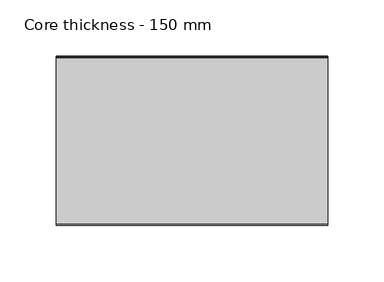
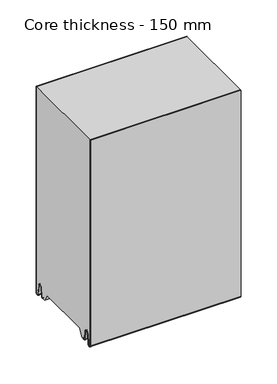
"""IFC4 building model written with IfcOpenShell, lengths in millimetres: plate geometry, Core thickness - 150 mm."""

from ifc_helpers import new_model, si_unit, frame, origin, place, context, project, spatial, polyline, circle_curve, source, transform, mapped, element, save
from ifc_brep_helpers import plane_surface, cylinder_surface, revolved_surface, advanced_brep


def core_thickness_150_mm_0fd551ed(model_context):
    return source(origin(), model_context, "Body", "AdvancedBrep", [
        advanced_brep(
        [(119.9999998, -149.9996949, 3.0900682), (119.9999998, -143.81449, 2.7875612), (119.9999998, -142.197116, 19.2828169), (119.9999998, -139.1776715, 21.9898782), (119.9999998, -136.1582271, 19.2828169), (119.9999998, -134.7725998, 5.1510966), (119.9999998, -130.3830995, 5.365779), (119.9999998, -131.1830995, 5.365779), (119.9999998, -133.9764178, 5.2291629), (119.9999998, -135.3620451, 19.3608832), (119.9999998, -139.1776715, 22.7899182), (119.9999998, -142.9932979, 19.3608832), (119.9999998, -144.6106719, 2.8656275), (119.9999998, -149.1996949, 3.0900682), (119.9999998, -149.2, 350.0), (119.9999998, -149.9996949, 350.0), (-119.9999998, -149.1996949, 3.0900682), (-119.9999998, -144.6106719, 2.8656275), (-119.9999998, -142.9932979, 19.3608832), (-119.9999998, -139.1776715, 22.7899182), (-119.9999998, -135.3620451, 19.3608832), (-119.9999998, -133.9764178, 5.2291629), (-119.9999998, -131.1830995, 5.365779), (-119.9999998, -130.3830995, 5.365779), (-119.9999998, -134.7725998, 5.1510966), (-119.9999998, -136.1582271, 19.2828169), (-119.9999998, -139.1776715, 21.9898782), (-119.9999998, -142.197116, 19.2828169), (-119.9999998, -143.81449, 2.7875612), (-119.9999998, -149.9996949, 3.0900682), (-119.9999998, -149.9996949, 350.0), (-119.9999998, -149.2, 350.0)],
        [
            (0, 1, circle_curve(frame((119.9999998, -146.8996949, 3.0900682), z_axis=(1.0, 0.0, 0.0), x_axis=(0.0, 0.0, -1.0)), 3.1)),
            (1, 2),
            (2, 3, circle_curve(frame((119.9999998, -139.2114338, 18.9900682), z_axis=(-1.0, 0.0, 0.0), x_axis=(0.0, 0.0, -1.0)), 3.0)),
            (3, 4, circle_curve(frame((119.9999998, -139.1439093, 18.9900682), z_axis=(-1.0, 0.0, 0.0), x_axis=(0.0, 0.0, -1.0)), 3.0)),
            (4, 5),
            (5, 6, circle_curve(frame((119.9999998, -132.5830995, 5.365779), z_axis=(1.0, 0.0, 0.0), x_axis=(0.0, 0.0, -1.0)), 2.2)),
            (6, 7),
            (7, 8, circle_curve(frame((119.9999998, -132.5830995, 5.365779), z_axis=(-1.0, 0.0, 0.0), x_axis=(0.0, 0.0, -1.0)), 1.4)),
            (8, 9),
            (9, 10, circle_curve(frame((119.9999998, -139.1439093, 18.9900682), z_axis=(1.0, 0.0, 0.0), x_axis=(0.0, 0.0, -1.0)), 3.8)),
            (10, 11, circle_curve(frame((119.9999998, -139.2114338, 18.9900682), z_axis=(1.0, 0.0, 0.0), x_axis=(0.0, 0.0, -1.0)), 3.8)),
            (11, 12),
            (12, 13, circle_curve(frame((119.9999998, -146.8996949, 3.0900682), z_axis=(-1.0, 0.0, 0.0), x_axis=(0.0, 0.0, -1.0)), 2.3)),
            (13, 14),
            (14, 15),
            (15, 0),
            (16, 17, circle_curve(frame((-119.9999998, -146.8996949, 3.0900682), z_axis=(1.0, 0.0, 0.0), x_axis=(0.0, 0.0, -1.0)), 2.3)),
            (17, 18),
            (18, 19, circle_curve(frame((-119.9999998, -139.2114338, 18.9900682), z_axis=(-1.0, 0.0, 0.0), x_axis=(0.0, 0.0, -1.0)), 3.8)),
            (19, 20, circle_curve(frame((-119.9999998, -139.1439093, 18.9900682), z_axis=(-1.0, 0.0, 0.0), x_axis=(0.0, 0.0, -1.0)), 3.8)),
            (20, 21),
            (21, 22, circle_curve(frame((-119.9999998, -132.5830995, 5.365779), z_axis=(1.0, 0.0, 0.0), x_axis=(0.0, 0.0, -1.0)), 1.4)),
            (22, 23),
            (23, 24, circle_curve(frame((-119.9999998, -132.5830995, 5.365779), z_axis=(-1.0, 0.0, 0.0), x_axis=(0.0, 0.0, -1.0)), 2.2)),
            (24, 25),
            (25, 26, circle_curve(frame((-119.9999998, -139.1439093, 18.9900682), z_axis=(1.0, 0.0, 0.0), x_axis=(0.0, 0.0, -1.0)), 3.0)),
            (26, 27, circle_curve(frame((-119.9999998, -139.2114338, 18.9900682), z_axis=(1.0, 0.0, 0.0), x_axis=(0.0, 0.0, -1.0)), 3.0)),
            (27, 28),
            (28, 29, circle_curve(frame((-119.9999998, -146.8996949, 3.0900682), z_axis=(-1.0, 0.0, 0.0), x_axis=(0.0, 0.0, -1.0)), 3.1)),
            (29, 30),
            (30, 31),
            (31, 16),
            (13, 16),
            (31, 14),
            (29, 0),
            (15, 30),
            (12, 17),
            (11, 18),
            (10, 19),
            (9, 20),
            (8, 21),
            (7, 22),
            (6, 23),
            (5, 24),
            (4, 25),
            (3, 26),
            (2, 27),
            (1, 28),
        ],
        [
            plane_surface(frame((119.9999998, -150.0, 0.0), z_axis=(1.0, 0.0, 0.0), x_axis=(0.0, 1.0, 0.0))),
            plane_surface(frame((-119.9999998, -150.0, 0.0), z_axis=(-1.0, 0.0, 0.0), x_axis=(0.0, 1.0, 0.0))),
            plane_surface(frame((119.9999998, -149.2, 3.0900682), z_axis=(0.0, 1.0, 0.0), x_axis=(-1.0, 0.0, 0.0))),
            plane_surface(frame((119.9999998, -149.9996949, 1143.9000005), z_axis=(0.0, -1.0, 0.0), x_axis=(-1.0, 0.0, 0.0))),
            revolved_surface(polyline([(-119.9999998, -146.8996949, 0.7900682000000003), (119.9999998, -146.8996949, 0.7900682000000003)]), (119.9999998, -146.8996949, 3.0900682), (-1.0, 0.0, 0.0)),
            plane_surface(frame((119.9999998, -142.9932979, 19.3608832), z_axis=(0.0, -0.9952273999818314, 0.09758289975914787), x_axis=(-1.0, 0.0, 0.0))),
            cylinder_surface(frame((119.9999998, -139.2114338, 18.9900682), z_axis=(1.0, 0.0, 0.0), x_axis=(0.0, 0.0, -1.0)), 3.8),
            cylinder_surface(frame((119.9999998, -139.1439093, 18.9900682), z_axis=(1.0, 0.0, 0.0), x_axis=(0.0, 0.0, -1.0)), 3.8),
            plane_surface(frame((119.9999998, -133.9764178, 5.2291629), z_axis=(0.0, 0.9952273999818297, 0.09758289975916531), x_axis=(-1.0, 0.0, 0.0))),
            revolved_surface(polyline([(-119.9999998, -132.5830995, 3.965779), (119.9999998, -132.5830995, 3.965779)]), (119.9999998, -132.5830995, 5.365779), (-1.0, 0.0, 0.0)),
            plane_surface(frame((119.9999998, -130.3830995, 5.365779), z_axis=(0.0, 0.0, 1.0), x_axis=(-1.0, 0.0, 0.0))),
            cylinder_surface(frame((119.9999998, -132.5830995, 5.365779), z_axis=(1.0, 0.0, 0.0), x_axis=(0.0, 0.0, -1.0)), 2.2),
            plane_surface(frame((119.9999998, -136.1582271, 19.2828169), z_axis=(0.0, -0.9952273999818296, -0.09758289975916527), x_axis=(-1.0, 0.0, 0.0))),
            revolved_surface(polyline([(-119.9999998, -139.1439093, 15.9900682), (119.9999998, -139.1439093, 15.9900682)]), (119.9999998, -139.1439093, 18.9900682), (-1.0, 0.0, 0.0)),
            revolved_surface(polyline([(-119.9999998, -139.2114338, 15.9900682), (119.9999998, -139.2114338, 15.9900682)]), (119.9999998, -139.2114338, 18.9900682), (-1.0, 0.0, 0.0)),
            plane_surface(frame((119.9999998, -143.81449, 2.7875612), z_axis=(0.0, 0.9952273999818314, -0.09758289975914787), x_axis=(-1.0, 0.0, 0.0))),
            cylinder_surface(frame((119.9999998, -146.8996949, 3.0900682), z_axis=(1.0, 0.0, 0.0), x_axis=(0.0, 0.0, -1.0)), 3.1),
            plane_surface(frame((-119.9999998, 134.0533409, 350.0), z_axis=(0.0, 0.0, 1.0), x_axis=(1.0, 0.0, 0.0))),
        ],
        [
            (0, [[1, 2, 3, 4, 5, 6, 7, 8, 9, 10, 11, 12, 13, 14, 15, 16]]),
            (1, [[17, 18, 19, 20, 21, 22, 23, 24, 25, 26, 27, 28, 29, 30, 31, 32]]),
            (2, [[33, -32, 34, -14]]),
            (3, [[35, -16, 36, -30]]),
            (4, [[-13, 37, -17, -33]]),
            (5, [[-12, 38, -18, -37]]),
            (6, [[-11, 39, -19, -38]]),
            (7, [[-10, 40, -20, -39]]),
            (8, [[-9, 41, -21, -40]]),
            (9, [[-8, 42, -22, -41]]),
            (10, [[-7, 43, -23, -42]]),
            (11, [[-6, 44, -24, -43]]),
            (12, [[-5, 45, -25, -44]]),
            (13, [[-4, 46, -26, -45]]),
            (14, [[-3, 47, -27, -46]]),
            (15, [[-2, 48, -28, -47]]),
            (16, [[-1, -35, -29, -48]]),
            (17, [[-15, -34, -31, -36]]),
        ],
    ),
        advanced_brep(
        [(119.9999998, -119.873448, 15.1417681), (119.9999998, -30.126552, 15.1417681), (119.9999998, -23.4071318, 3.165779), (119.9999998, -17.4169005, 3.165779), (119.9999998, -19.6169005, 5.365779), (119.9999998, -18.8169005, 5.365779), (119.9999998, -16.0235822, 5.2291629), (119.9999998, -14.6379549, 19.3608832), (119.9999998, -10.8223285, 22.7899182), (119.9999998, -7.0067021, 19.3608832), (119.9999998, -5.3893281, 2.8656275), (119.9999998, -1.0794848, 4.1883784), (119.9999998, -1.5003051, 5.8439114), (119.9999998, -1.5003051, 42.0511837), (119.9999998, -1.0971009, 43.4705951), (119.9999998, -0.8, 44.5229805), (119.9999998, -0.8, 94.6827637), (119.9999998, -1.0986697, 95.7341795), (119.9999998, -1.5003051, 97.1545605), (119.9999998, -1.5003051, 147.3143437), (119.9999998, -1.0971009, 148.7337551), (119.9999998, -0.8, 149.7861405), (119.9999998, -0.8, 199.9459237), (119.9999998, -1.0986697, 200.9973395), (119.9999998, -1.5003051, 202.4177205), (119.9999998, -1.5003051, 252.5775037), (119.9999998, -1.0971009, 253.9969151), (119.9999998, -0.8, 255.0493005), (119.9999998, -0.8, 305.2090837), (119.9999998, -1.0986697, 306.2604995), (119.9999998, -1.5003051, 307.6808805), (119.9999998, -1.5003051, 350.0), (119.9999998, -149.2, 350.0), (119.9999998, -149.2, 3.0900682), (119.9999998, -144.6106719, 2.8656275), (119.9999998, -142.9932979, 19.3608832), (119.9999998, -139.1776715, 22.7899182), (119.9999998, -135.3620451, 19.3608832), (119.9999998, -133.9764178, 5.2291629), (119.9999998, -131.1830995, 5.365779), (119.9999998, -130.3830995, 5.365779), (119.9999998, -132.5830995, 3.165779), (119.9999998, -126.5928682, 3.165779), (-119.9999998, -30.126552, 15.1417681), (-119.9999998, -119.873448, 15.1417681), (-119.9999998, -126.5928682, 3.165779), (-119.9999998, -132.5830995, 3.165779), (-119.9999998, -130.3830995, 5.365779), (-119.9999998, -131.1830995, 5.365779), (-119.9999998, -133.9764178, 5.2291629), (-119.9999998, -135.3620451, 19.3608832), (-119.9999998, -139.1776715, 22.7899182), (-119.9999998, -142.9932979, 19.3608832), (-119.9999998, -144.6106719, 2.8656275), (-119.9999998, -149.1996949, 3.0900682), (-119.9999998, -149.2, 350.0), (-119.9999998, -1.5003051, 350.0), (-119.9999998, -1.5003051, 307.6808805), (-119.9999998, -1.0971009, 306.2614691), (-119.9999998, -0.8, 305.2090837), (-119.9999998, -0.8, 255.0493005), (-119.9999998, -1.0986697, 253.9978846), (-119.9999998, -1.5003051, 252.5775037), (-119.9999998, -1.5003051, 202.4177205), (-119.9999998, -1.0971009, 200.9983091), (-119.9999998, -0.8, 199.9459237), (-119.9999998, -0.8, 149.7861405), (-119.9999998, -1.0986697, 148.7347246), (-119.9999998, -1.5003051, 147.3143437), (-119.9999998, -1.5003051, 97.1545605), (-119.9999998, -1.0971009, 95.7351491), (-119.9999998, -0.8, 94.6827637), (-119.9999998, -0.8, 44.5229805), (-119.9999998, -1.0986697, 43.4715646), (-119.9999998, -1.5003051, 42.0511837), (-119.9999998, -1.5003051, 5.8439114), (-119.9999998, -1.0794848, 4.1883784), (-119.9999998, -5.3893281, 2.8656275), (-119.9999998, -7.0067021, 19.3608832), (-119.9999998, -10.8223285, 22.7899182), (-119.9999998, -14.6379549, 19.3608832), (-119.9999998, -16.0235822, 5.2291629), (-119.9999998, -18.8169005, 5.365779), (-119.9999998, -19.6169005, 5.365779), (-119.9999998, -17.4169005, 3.165779), (-119.9999998, -23.4071318, 3.165779)],
        [
            (0, 1),
            (1, 2),
            (2, 3),
            (3, 4, circle_curve(frame((119.9999998, -17.4169005, 5.365779), z_axis=(-1.0, 0.0, 0.0), x_axis=(0.0, 0.0, -1.0)), 2.2)),
            (4, 5),
            (5, 6, circle_curve(frame((119.9999998, -17.4169005, 5.365779), z_axis=(1.0, 0.0, 0.0), x_axis=(0.0, 0.0, -1.0)), 1.4)),
            (6, 7),
            (7, 8, circle_curve(frame((119.9999998, -10.8560907, 18.9900682), z_axis=(-1.0, 0.0, 0.0), x_axis=(0.0, 0.0, -1.0)), 3.8)),
            (8, 9, circle_curve(frame((119.9999998, -10.7885662, 18.9900682), z_axis=(-1.0, 0.0, 0.0), x_axis=(0.0, 0.0, -1.0)), 3.8)),
            (9, 10),
            (10, 11, circle_curve(frame((119.9999998, -3.1003051, 3.0900682), z_axis=(1.0, 0.0, 0.0), x_axis=(0.0, 0.0, -1.0)), 2.3)),
            (11, 12, circle_curve(frame((119.9999998, 1.9665895, 5.8439114), z_axis=(-1.0, 0.0, 0.0), x_axis=(0.0, 0.0, -1.0)), 3.4668946)),
            (12, 13),
            (13, 14, circle_curve(frame((119.9999998, 1.1996949, 42.0511837), z_axis=(-1.0, 0.0, 0.0), x_axis=(0.0, 0.0, -1.0)), 2.7)),
            (14, 15, circle_curve(frame((119.9999998, -2.8, 44.5229805), z_axis=(1.0, 0.0, 0.0), x_axis=(0.0, 0.0, -1.0)), 2.0)),
            (15, 16),
            (16, 17, circle_curve(frame((119.9999998, -2.8, 94.6827637), z_axis=(1.0, 0.0, 0.0), x_axis=(0.0, 0.0, -1.0)), 2.0)),
            (17, 18, circle_curve(frame((119.9999998, 1.1996949, 97.1545605), z_axis=(-1.0, 0.0, 0.0), x_axis=(0.0, 0.0, -1.0)), 2.7)),
            (18, 19),
            (19, 20, circle_curve(frame((119.9999998, 1.1996949, 147.3143437), z_axis=(-1.0, 0.0, 0.0), x_axis=(0.0, 0.0, -1.0)), 2.7)),
            (20, 21, circle_curve(frame((119.9999998, -2.8, 149.7861405), z_axis=(1.0, 0.0, 0.0), x_axis=(0.0, 0.0, -1.0)), 2.0)),
            (21, 22),
            (22, 23, circle_curve(frame((119.9999998, -2.8, 199.9459237), z_axis=(1.0, 0.0, 0.0), x_axis=(0.0, 0.0, -1.0)), 2.0)),
            (23, 24, circle_curve(frame((119.9999998, 1.1996949, 202.4177205), z_axis=(-1.0, 0.0, 0.0), x_axis=(0.0, 0.0, -1.0)), 2.7)),
            (24, 25),
            (25, 26, circle_curve(frame((119.9999998, 1.1996949, 252.5775037), z_axis=(-1.0, 0.0, 0.0), x_axis=(0.0, 0.0, -1.0)), 2.7)),
            (26, 27, circle_curve(frame((119.9999998, -2.8, 255.0493005), z_axis=(1.0, 0.0, 0.0), x_axis=(0.0, 0.0, -1.0)), 2.0)),
            (27, 28),
            (28, 29, circle_curve(frame((119.9999998, -2.8, 305.2090837), z_axis=(1.0, 0.0, 0.0), x_axis=(0.0, 0.0, -1.0)), 2.0)),
            (29, 30, circle_curve(frame((119.9999998, 1.1996949, 307.6808805), z_axis=(-1.0, 0.0, 0.0), x_axis=(0.0, 0.0, -1.0)), 2.7)),
            (30, 31),
            (31, 32),
            (32, 33),
            (33, 34, circle_curve(frame((119.9999998, -146.8996949, 3.0900682), z_axis=(1.0, 0.0, 0.0), x_axis=(0.0, 0.0, -1.0)), 2.3)),
            (34, 35),
            (35, 36, circle_curve(frame((119.9999998, -139.2114338, 18.9900682), z_axis=(-1.0, 0.0, 0.0), x_axis=(0.0, 0.0, -1.0)), 3.8)),
            (36, 37, circle_curve(frame((119.9999998, -139.1439093, 18.9900682), z_axis=(-1.0, 0.0, 0.0), x_axis=(0.0, 0.0, -1.0)), 3.8)),
            (37, 38),
            (38, 39, circle_curve(frame((119.9999998, -132.5830995, 5.365779), z_axis=(1.0, 0.0, 0.0), x_axis=(0.0, 0.0, -1.0)), 1.4)),
            (39, 40),
            (40, 41, circle_curve(frame((119.9999998, -132.5830995, 5.365779), z_axis=(-1.0, 0.0, 0.0), x_axis=(0.0, 0.0, -1.0)), 2.2)),
            (41, 42),
            (42, 0),
            (43, 44),
            (44, 45),
            (45, 46),
            (46, 47, circle_curve(frame((-119.9999998, -132.5830995, 5.365779), z_axis=(1.0, 0.0, 0.0), x_axis=(0.0, 0.0, -1.0)), 2.2)),
            (47, 48),
            (48, 49, circle_curve(frame((-119.9999998, -132.5830995, 5.365779), z_axis=(-1.0, 0.0, 0.0), x_axis=(0.0, 0.0, -1.0)), 1.4)),
            (49, 50),
            (50, 51, circle_curve(frame((-119.9999998, -139.1439093, 18.9900682), z_axis=(1.0, 0.0, 0.0), x_axis=(0.0, 0.0, -1.0)), 3.8)),
            (51, 52, circle_curve(frame((-119.9999998, -139.2114338, 18.9900682), z_axis=(1.0, 0.0, 0.0), x_axis=(0.0, 0.0, -1.0)), 3.8)),
            (52, 53),
            (53, 54, circle_curve(frame((-119.9999998, -146.8996949, 3.0900682), z_axis=(-1.0, 0.0, 0.0), x_axis=(0.0, 0.0, -1.0)), 2.3)),
            (54, 55),
            (55, 56),
            (56, 57),
            (57, 58, circle_curve(frame((-119.9999998, 1.1996949, 307.6808805), z_axis=(1.0, 0.0, 0.0), x_axis=(0.0, 0.0, -1.0)), 2.7)),
            (58, 59, circle_curve(frame((-119.9999998, -2.8, 305.2090837), z_axis=(-1.0, 0.0, 0.0), x_axis=(0.0, 0.0, -1.0)), 2.0)),
            (59, 60),
            (60, 61, circle_curve(frame((-119.9999998, -2.8, 255.0493005), z_axis=(-1.0, 0.0, 0.0), x_axis=(0.0, 0.0, -1.0)), 2.0)),
            (61, 62, circle_curve(frame((-119.9999998, 1.1996949, 252.5775037), z_axis=(1.0, 0.0, 0.0), x_axis=(0.0, 0.0, -1.0)), 2.7)),
            (62, 63),
            (63, 64, circle_curve(frame((-119.9999998, 1.1996949, 202.4177205), z_axis=(1.0, 0.0, 0.0), x_axis=(0.0, 0.0, -1.0)), 2.7)),
            (64, 65, circle_curve(frame((-119.9999998, -2.8, 199.9459237), z_axis=(-1.0, 0.0, 0.0), x_axis=(0.0, 0.0, -1.0)), 2.0)),
            (65, 66),
            (66, 67, circle_curve(frame((-119.9999998, -2.8, 149.7861405), z_axis=(-1.0, 0.0, 0.0), x_axis=(0.0, 0.0, -1.0)), 2.0)),
            (67, 68, circle_curve(frame((-119.9999998, 1.1996949, 147.3143437), z_axis=(1.0, 0.0, 0.0), x_axis=(0.0, 0.0, -1.0)), 2.7)),
            (68, 69),
            (69, 70, circle_curve(frame((-119.9999998, 1.1996949, 97.1545605), z_axis=(1.0, 0.0, 0.0), x_axis=(0.0, 0.0, -1.0)), 2.7)),
            (70, 71, circle_curve(frame((-119.9999998, -2.8, 94.6827637), z_axis=(-1.0, 0.0, 0.0), x_axis=(0.0, 0.0, -1.0)), 2.0)),
            (71, 72),
            (72, 73, circle_curve(frame((-119.9999998, -2.8, 44.5229805), z_axis=(-1.0, 0.0, 0.0), x_axis=(0.0, 0.0, -1.0)), 2.0)),
            (73, 74, circle_curve(frame((-119.9999998, 1.1996949, 42.0511837), z_axis=(1.0, 0.0, 0.0), x_axis=(0.0, 0.0, -1.0)), 2.7)),
            (74, 75),
            (75, 76, circle_curve(frame((-119.9999998, 1.9665895, 5.8439114), z_axis=(1.0, 0.0, 0.0), x_axis=(0.0, 0.0, -1.0)), 3.4668946)),
            (76, 77, circle_curve(frame((-119.9999998, -3.1003051, 3.0900682), z_axis=(-1.0, 0.0, 0.0), x_axis=(0.0, 0.0, -1.0)), 2.3)),
            (77, 78),
            (78, 79, circle_curve(frame((-119.9999998, -10.7885662, 18.9900682), z_axis=(1.0, 0.0, 0.0), x_axis=(0.0, 0.0, -1.0)), 3.8)),
            (79, 80, circle_curve(frame((-119.9999998, -10.8560907, 18.9900682), z_axis=(1.0, 0.0, 0.0), x_axis=(0.0, 0.0, -1.0)), 3.8)),
            (80, 81),
            (81, 82, circle_curve(frame((-119.9999998, -17.4169005, 5.365779), z_axis=(-1.0, 0.0, 0.0), x_axis=(0.0, 0.0, -1.0)), 1.4)),
            (82, 83),
            (83, 84, circle_curve(frame((-119.9999998, -17.4169005, 5.365779), z_axis=(1.0, 0.0, 0.0), x_axis=(0.0, 0.0, -1.0)), 2.2)),
            (84, 85),
            (85, 43),
            (1, 43),
            (85, 2),
            (0, 44),
            (42, 45),
            (64, 23),
            (22, 65),
            (63, 24),
            (62, 25),
            (61, 26),
            (60, 27),
            (59, 28),
            (58, 29),
            (57, 30),
            (56, 31),
            (54, 33),
            (32, 55),
            (84, 3),
            (41, 46),
            (83, 4),
            (82, 5),
            (81, 6),
            (80, 7),
            (79, 8),
            (78, 9),
            (77, 10),
            (76, 11),
            (75, 12),
            (74, 13),
            (73, 14),
            (72, 15),
            (71, 16),
            (70, 17),
            (69, 18),
            (68, 19),
            (67, 20),
            (66, 21),
            (53, 34),
            (52, 35),
            (51, 36),
            (50, 37),
            (49, 38),
            (48, 39),
            (47, 40),
        ],
        [
            plane_surface(frame((119.9999998, 0.0, 0.0), z_axis=(1.0, 0.0, 0.0), x_axis=(0.0, -1.0, 0.0))),
            plane_surface(frame((-119.9999998, 0.0, 0.0), z_axis=(-1.0, 0.0, 0.0), x_axis=(0.0, -1.0, 0.0))),
            plane_surface(frame((119.9999998, -30.126552, 15.1417681), z_axis=(0.0, -0.8721062992196836, -0.4893164649399687), x_axis=(-1.0, 0.0, 0.0))),
            plane_surface(frame((119.9999998, -119.873448, 15.1417681), z_axis=(0.0, 0.0, -1.0), x_axis=(-1.0, 0.0, 0.0))),
            plane_surface(frame((119.9999998, -126.8190247, 2.7627014), z_axis=(0.0, 0.8721062992196832, -0.4893164649399697), x_axis=(-1.0, 0.0, 0.0))),
            cylinder_surface(frame((249.9999998, -2.8, 199.9459237), z_axis=(-1.0, 0.0, 0.0), x_axis=(0.0, 0.0, -1.0)), 2.0),
            revolved_surface(polyline([(119.99999980000001, 1.1996949, 199.7177205), (-119.99999980000001, 1.1996949, 199.7177205)]), (249.9999998, 1.1996949, 202.4177205), (1.0, 0.0, 0.0)),
            plane_surface(frame((249.9999998, -1.5003051, 252.5775037), z_axis=(0.0, 1.0, 0.0), x_axis=(-1.0, 0.0, 0.0))),
            revolved_surface(polyline([(119.99999980000001, 1.1996949, 249.8775037), (-119.99999980000001, 1.1996949, 249.8775037)]), (249.9999998, 1.1996949, 252.5775037), (1.0, 0.0, 0.0)),
            cylinder_surface(frame((249.9999998, -2.8, 255.0493005), z_axis=(-1.0, 0.0, 0.0), x_axis=(0.0, 0.0, -1.0)), 2.0),
            plane_surface(frame((249.9999998, -0.8, 305.2090837), z_axis=(0.0, 1.0, 0.0), x_axis=(-1.0, 0.0, 0.0))),
            cylinder_surface(frame((249.9999998, -2.8, 305.2090837), z_axis=(-1.0, 0.0, 0.0), x_axis=(0.0, 0.0, -1.0)), 2.0),
            revolved_surface(polyline([(119.99999980000001, 1.1996949, 304.9808805), (-119.99999980000001, 1.1996949, 304.9808805)]), (249.9999998, 1.1996949, 307.6808805), (1.0, 0.0, 0.0)),
            plane_surface(frame((249.9999998, -1.5003051, 357.8406637), z_axis=(0.0, 1.0, 0.0), x_axis=(-1.0, 0.0, 0.0))),
            plane_surface(frame((249.9999998, -149.2, 3.0900682), z_axis=(0.0, -1.0, 0.0), x_axis=(-1.0, 0.0, 0.0))),
            plane_surface(frame((-119.9999998, -132.5830995, 3.165779), z_axis=(0.0, 0.0, -1.0), x_axis=(1.0, 0.0, 0.0))),
            revolved_surface(polyline([(119.99999980000001, -17.4169005, 3.1657789999999997), (-119.99999980000001, -17.4169005, 3.1657789999999997)]), (249.9999998, -17.4169005, 5.365779), (1.0, 0.0, 0.0)),
            plane_surface(frame((249.9999998, -18.8169005, 5.365779), z_axis=(0.0, 0.0, -1.0), x_axis=(-1.0, 0.0, 0.0))),
            cylinder_surface(frame((249.9999998, -17.4169005, 5.365779), z_axis=(-1.0, 0.0, 0.0), x_axis=(0.0, 0.0, -1.0)), 1.4),
            plane_surface(frame((249.9999998, -14.6379549, 19.3608832), z_axis=(0.0, 0.9952273999818297, -0.09758289975916531), x_axis=(-1.0, 0.0, 0.0))),
            revolved_surface(polyline([(119.99999980000001, -10.8560907, 15.190068199999999), (-119.99999980000001, -10.8560907, 15.190068199999999)]), (249.9999998, -10.8560907, 18.9900682), (1.0, 0.0, 0.0)),
            revolved_surface(polyline([(119.99999980000001, -10.7885662, 15.190068199999999), (-119.99999980000001, -10.7885662, 15.190068199999999)]), (249.9999998, -10.7885662, 18.9900682), (1.0, 0.0, 0.0)),
            plane_surface(frame((249.9999998, -5.3893281, 2.8656275), z_axis=(0.0, -0.9952273999818314, -0.09758289975914787), x_axis=(-1.0, 0.0, 0.0))),
            cylinder_surface(frame((249.9999998, -3.1003051, 3.0900682), z_axis=(-1.0, 0.0, 0.0), x_axis=(0.0, 0.0, -1.0)), 2.3),
            revolved_surface(polyline([(119.99999980000001, 1.9665895, 2.3770168), (-119.99999980000001, 1.9665895, 2.3770168)]), (249.9999998, 1.9665895, 5.8439114), (1.0, 0.0, 0.0)),
            plane_surface(frame((249.9999998, -1.5003051, 42.0511837), z_axis=(0.0, 1.0, 0.0), x_axis=(-1.0, 0.0, 0.0))),
            revolved_surface(polyline([(119.99999980000001, 1.1996949, 39.3511837), (-119.99999980000001, 1.1996949, 39.3511837)]), (249.9999998, 1.1996949, 42.0511837), (1.0, 0.0, 0.0)),
            cylinder_surface(frame((249.9999998, -2.8, 44.5229805), z_axis=(-1.0, 0.0, 0.0), x_axis=(0.0, 0.0, -1.0)), 2.0),
            plane_surface(frame((249.9999998, -0.8, 94.6827637), z_axis=(0.0, 1.0, 0.0), x_axis=(-1.0, 0.0, 0.0))),
            cylinder_surface(frame((249.9999998, -2.8, 94.6827637), z_axis=(-1.0, 0.0, 0.0), x_axis=(0.0, 0.0, -1.0)), 2.0),
            revolved_surface(polyline([(119.99999980000001, 1.1996949, 94.4545605), (-119.99999980000001, 1.1996949, 94.4545605)]), (249.9999998, 1.1996949, 97.1545605), (1.0, 0.0, 0.0)),
            plane_surface(frame((249.9999998, -1.5003051, 147.3143437), z_axis=(0.0, 1.0, 0.0), x_axis=(-1.0, 0.0, 0.0))),
            revolved_surface(polyline([(119.99999980000001, 1.1996949, 144.6143437), (-119.99999980000001, 1.1996949, 144.6143437)]), (249.9999998, 1.1996949, 147.3143437), (1.0, 0.0, 0.0)),
            cylinder_surface(frame((249.9999998, -2.8, 149.7861405), z_axis=(-1.0, 0.0, 0.0), x_axis=(0.0, 0.0, -1.0)), 2.0),
            plane_surface(frame((249.9999998, -0.8, 199.9459237), z_axis=(0.0, 1.0, 0.0), x_axis=(-1.0, 0.0, 0.0))),
            cylinder_surface(frame((249.9999998, -146.8996949, 3.0900682), z_axis=(-1.0, 0.0, 0.0), x_axis=(0.0, 0.0, -1.0)), 2.3),
            plane_surface(frame((249.9999998, -142.9932979, 19.3608832), z_axis=(0.0, 0.9952273999818314, -0.09758289975914787), x_axis=(-1.0, 0.0, 0.0))),
            revolved_surface(polyline([(119.99999980000001, -139.2114338, 15.190068199999999), (-119.99999980000001, -139.2114338, 15.190068199999999)]), (249.9999998, -139.2114338, 18.9900682), (1.0, 0.0, 0.0)),
            revolved_surface(polyline([(119.99999980000001, -139.1439093, 15.190068199999999), (-119.99999980000001, -139.1439093, 15.190068199999999)]), (249.9999998, -139.1439093, 18.9900682), (1.0, 0.0, 0.0)),
            plane_surface(frame((249.9999998, -133.9764178, 5.2291629), z_axis=(0.0, -0.9952273999818297, -0.09758289975916531), x_axis=(-1.0, 0.0, 0.0))),
            cylinder_surface(frame((249.9999998, -132.5830995, 5.365779), z_axis=(-1.0, 0.0, 0.0), x_axis=(0.0, 0.0, -1.0)), 1.4),
            plane_surface(frame((249.9999998, -130.3830995, 5.365779), z_axis=(0.0, 0.0, -1.0), x_axis=(-1.0, 0.0, 0.0))),
            revolved_surface(polyline([(119.99999980000001, -132.5830995, 3.1657789999999997), (-119.99999980000001, -132.5830995, 3.1657789999999997)]), (249.9999998, -132.5830995, 5.365779), (1.0, 0.0, 0.0)),
            plane_surface(frame((-119.9999998, 134.0533409, 350.0), z_axis=(0.0, 0.0, 1.0), x_axis=(1.0, 0.0, 0.0))),
        ],
        [
            (0, [[1, 2, 3, 4, 5, 6, 7, 8, 9, 10, 11, 12, 13, 14, 15, 16, 17, 18, 19, 20, 21, 22, 23, 24, 25, 26, 27, 28, 29, 30, 31, 32, 33, 34, 35, 36, 37, 38, 39, 40, 41, 42, 43]]),
            (1, [[44, 45, 46, 47, 48, 49, 50, 51, 52, 53, 54, 55, 56, 57, 58, 59, 60, 61, 62, 63, 64, 65, 66, 67, 68, 69, 70, 71, 72, 73, 74, 75, 76, 77, 78, 79, 80, 81, 82, 83, 84, 85, 86]]),
            (2, [[87, -86, 88, -2]]),
            (3, [[-1, 89, -44, -87]]),
            (4, [[-89, -43, 90, -45]]),
            (5, [[91, -23, 92, -65]]),
            (6, [[-91, -64, 93, -24]]),
            (7, [[-93, -63, 94, -25]]),
            (8, [[-94, -62, 95, -26]]),
            (9, [[-95, -61, 96, -27]]),
            (10, [[-96, -60, 97, -28]]),
            (11, [[-97, -59, 98, -29]]),
            (12, [[-98, -58, 99, -30]]),
            (13, [[-99, -57, 100, -31]]),
            (14, [[101, -33, 102, -55]]),
            (15, [[-3, -88, -85, 103]]),
            (15, [[-42, 104, -46, -90]]),
            (16, [[105, -4, -103, -84]]),
            (17, [[-105, -83, 106, -5]]),
            (18, [[-106, -82, 107, -6]]),
            (19, [[-107, -81, 108, -7]]),
            (20, [[-108, -80, 109, -8]]),
            (21, [[-109, -79, 110, -9]]),
            (22, [[-110, -78, 111, -10]]),
            (23, [[-111, -77, 112, -11]]),
            (24, [[-112, -76, 113, -12]]),
            (25, [[-113, -75, 114, -13]]),
            (26, [[-114, -74, 115, -14]]),
            (27, [[-115, -73, 116, -15]]),
            (28, [[-116, -72, 117, -16]]),
            (29, [[-117, -71, 118, -17]]),
            (30, [[-118, -70, 119, -18]]),
            (31, [[-119, -69, 120, -19]]),
            (32, [[-120, -68, 121, -20]]),
            (33, [[-121, -67, 122, -21]]),
            (34, [[-122, -66, -92, -22]]),
            (35, [[-101, -54, 123, -34]]),
            (36, [[-123, -53, 124, -35]]),
            (37, [[-124, -52, 125, -36]]),
            (38, [[-125, -51, 126, -37]]),
            (39, [[-126, -50, 127, -38]]),
            (40, [[-127, -49, 128, -39]]),
            (41, [[-128, -48, 129, -40]]),
            (42, [[-129, -47, -104, -41]]),
            (43, [[-100, -56, -102, -32]]),
        ],
    ),
        advanced_brep(
        [(-119.9999998, -0.7003051, 307.6808805), (-119.9999998, -0.4016712, 306.6295226), (-119.9999998, -0.0003051, 305.2090837), (-119.9999998, -0.0003051, 255.0493005), (-119.9999998, -0.4034608, 253.6299674), (-119.9999998, -0.7003051, 252.5775037), (-119.9999998, -0.7003051, 202.4177205), (-119.9999998, -0.4016712, 201.3663626), (-119.9999998, -0.0003051, 199.9459237), (-119.9999998, -0.0003051, 149.7861405), (-119.9999998, -0.4034608, 148.3668074), (-119.9999998, -0.7003051, 147.3143437), (-119.9999998, -0.7003051, 97.1545605), (-119.9999998, -0.4016712, 96.1032026), (-119.9999998, -0.0003051, 94.6827637), (-119.9999998, -0.0003051, 44.5229805), (-119.9999998, -0.4034608, 43.1036474), (-119.9999998, -0.7003051, 42.0511837), (-119.9999998, -0.7003051, 6.8391397), (-119.9999998, -0.2091664, 4.208691), (-119.9999998, -6.18551, 2.7875612), (-119.9999998, -7.802884, 19.2828169), (-119.9999998, -10.8223285, 21.9898782), (-119.9999998, -13.8417729, 19.2828169), (-119.9999998, -15.2274002, 5.1510966), (-119.9999998, -19.6169005, 5.365779), (-119.9999998, -18.8169005, 5.365779), (-119.9999998, -16.0235822, 5.2291629), (-119.9999998, -14.6379549, 19.3608832), (-119.9999998, -10.8223285, 22.7899182), (-119.9999998, -7.0067021, 19.3608832), (-119.9999998, -5.3893281, 2.8656275), (-119.9999998, -1.0794848, 4.1883784), (-119.9999998, -1.5003051, 5.8439114), (-119.9999998, -1.5003051, 42.0511837), (-119.9999998, -1.0971009, 43.4705951), (-119.9999998, -0.8, 44.5229805), (-119.9999998, -0.8, 94.6827637), (-119.9999998, -1.0986697, 95.7341795), (-119.9999998, -1.5003051, 97.1545605), (-119.9999998, -1.5003051, 147.3143437), (-119.9999998, -1.0971009, 148.7337551), (-119.9999998, -0.8, 149.7861405), (-119.9999998, -0.8, 199.9459237), (-119.9999998, -1.0986697, 200.9973395), (-119.9999998, -1.5003051, 202.4177205), (-119.9999998, -1.5003051, 252.5775037), (-119.9999998, -1.0971009, 253.9969151), (-119.9999998, -0.8, 255.0493005), (-119.9999998, -0.8, 305.2090837), (-119.9999998, -1.0986697, 306.2604995), (-119.9999998, -1.5003051, 307.6808805), (-119.9999998, -1.5003051, 350.0), (-119.9999998, -0.7003051, 350.0), (119.9999998, -1.5003051, 307.6808805), (119.9999998, -1.0971009, 306.2614691), (119.9999998, -0.8, 305.2090837), (119.9999998, -0.8, 255.0493005), (119.9999998, -1.0986697, 253.9978846), (119.9999998, -1.5003051, 252.5775037), (119.9999998, -1.5003051, 202.4177205), (119.9999998, -1.0971009, 200.9983091), (119.9999998, -0.8, 199.9459237), (119.9999998, -0.8, 149.7861405), (119.9999998, -1.0986697, 148.7347246), (119.9999998, -1.5003051, 147.3143437), (119.9999998, -1.5003051, 97.1545605), (119.9999998, -1.0971009, 95.7351491), (119.9999998, -0.8, 94.6827637), (119.9999998, -0.8, 44.5229805), (119.9999998, -1.0986697, 43.4715646), (119.9999998, -1.5003051, 42.0511837), (119.9999998, -1.5003051, 5.8439114), (119.9999998, -1.0794848, 4.1883784), (119.9999998, -5.3893281, 2.8656275), (119.9999998, -7.0067021, 19.3608832), (119.9999998, -10.8223285, 22.7899182), (119.9999998, -14.6379549, 19.3608832), (119.9999998, -16.0235822, 5.2291629), (119.9999998, -18.8169005, 5.365779), (119.9999998, -19.6169005, 5.365779), (119.9999998, -15.2274002, 5.1510966), (119.9999998, -13.8417729, 19.2828169), (119.9999998, -10.8223285, 21.9898782), (119.9999998, -7.802884, 19.2828169), (119.9999998, -6.18551, 2.7875612), (119.9999998, -0.2091664, 4.208691), (119.9999998, -0.7003051, 6.8391397), (119.9999998, -0.7003051, 42.0511837), (119.9999998, -0.4016712, 43.1025415), (119.9999998, -0.0003051, 44.5229805), (119.9999998, -0.0003051, 94.6827637), (119.9999998, -0.4034608, 96.1020968), (119.9999998, -0.7003051, 97.1545605), (119.9999998, -0.7003051, 147.3143437), (119.9999998, -0.4016712, 148.3657015), (119.9999998, -0.0003051, 149.7861405), (119.9999998, -0.0003051, 199.9459237), (119.9999998, -0.4034608, 201.3652568), (119.9999998, -0.7003051, 202.4177205), (119.9999998, -0.7003051, 252.5775037), (119.9999998, -0.4016712, 253.6288615), (119.9999998, -0.0003051, 255.0493005), (119.9999998, -0.0003051, 305.2090837), (119.9999998, -0.4034608, 306.6284168), (119.9999998, -0.7003051, 307.6808805), (119.9999998, -0.7003051, 350.0), (119.9999998, -1.5003051, 350.0)],
        [
            (0, 1, circle_curve(frame((-119.9999998, 1.2996949, 307.6808805), z_axis=(1.0, 0.0, 0.0), x_axis=(0.0, 0.0, -1.0)), 2.0)),
            (1, 2, circle_curve(frame((-119.9999998, -2.7003051, 305.2090837), z_axis=(-1.0, 0.0, 0.0), x_axis=(0.0, 0.0, -1.0)), 2.7)),
            (2, 3),
            (3, 4, circle_curve(frame((-119.9999998, -2.7003051, 255.0493005), z_axis=(-1.0, 0.0, 0.0), x_axis=(0.0, 0.0, -1.0)), 2.7)),
            (4, 5, circle_curve(frame((-119.9999998, 1.2996949, 252.5775037), z_axis=(1.0, 0.0, 0.0), x_axis=(0.0, 0.0, -1.0)), 2.0)),
            (5, 6),
            (6, 7, circle_curve(frame((-119.9999998, 1.2996949, 202.4177205), z_axis=(1.0, 0.0, 0.0), x_axis=(0.0, 0.0, -1.0)), 2.0)),
            (7, 8, circle_curve(frame((-119.9999998, -2.7003051, 199.9459237), z_axis=(-1.0, 0.0, 0.0), x_axis=(0.0, 0.0, -1.0)), 2.7)),
            (8, 9),
            (9, 10, circle_curve(frame((-119.9999998, -2.7003051, 149.7861405), z_axis=(-1.0, 0.0, 0.0), x_axis=(0.0, 0.0, -1.0)), 2.7)),
            (10, 11, circle_curve(frame((-119.9999998, 1.2996949, 147.3143437), z_axis=(1.0, 0.0, 0.0), x_axis=(0.0, 0.0, -1.0)), 2.0)),
            (11, 12),
            (12, 13, circle_curve(frame((-119.9999998, 1.2996949, 97.1545605), z_axis=(1.0, 0.0, 0.0), x_axis=(0.0, 0.0, -1.0)), 2.0)),
            (13, 14, circle_curve(frame((-119.9999998, -2.7003051, 94.6827637), z_axis=(-1.0, 0.0, 0.0), x_axis=(0.0, 0.0, -1.0)), 2.7)),
            (14, 15),
            (15, 16, circle_curve(frame((-119.9999998, -2.7003051, 44.5229805), z_axis=(-1.0, 0.0, 0.0), x_axis=(0.0, 0.0, -1.0)), 2.7)),
            (16, 17, circle_curve(frame((-119.9999998, 1.2996949, 42.0511837), z_axis=(1.0, 0.0, 0.0), x_axis=(0.0, 0.0, -1.0)), 2.0)),
            (17, 18),
            (18, 19, circle_curve(frame((-119.9999998, 6.5893647, 6.8391397), z_axis=(1.0, 0.0, 0.0), x_axis=(0.0, 0.0, -1.0)), 7.2896698)),
            (19, 20, circle_curve(frame((-119.9999998, -3.1003051, 3.0900682), z_axis=(-1.0, 0.0, 0.0), x_axis=(0.0, 0.0, -1.0)), 3.1)),
            (20, 21),
            (21, 22, circle_curve(frame((-119.9999998, -10.7885662, 18.9900682), z_axis=(1.0, 0.0, 0.0), x_axis=(0.0, 0.0, -1.0)), 3.0)),
            (22, 23, circle_curve(frame((-119.9999998, -10.8560907, 18.9900682), z_axis=(1.0, 0.0, 0.0), x_axis=(0.0, 0.0, -1.0)), 3.0)),
            (23, 24),
            (24, 25, circle_curve(frame((-119.9999998, -17.4169005, 5.365779), z_axis=(-1.0, 0.0, 0.0), x_axis=(0.0, 0.0, -1.0)), 2.2)),
            (25, 26),
            (26, 27, circle_curve(frame((-119.9999998, -17.4169005, 5.365779), z_axis=(1.0, 0.0, 0.0), x_axis=(0.0, 0.0, -1.0)), 1.4)),
            (27, 28),
            (28, 29, circle_curve(frame((-119.9999998, -10.8560907, 18.9900682), z_axis=(-1.0, 0.0, 0.0), x_axis=(0.0, 0.0, -1.0)), 3.8)),
            (29, 30, circle_curve(frame((-119.9999998, -10.7885662, 18.9900682), z_axis=(-1.0, 0.0, 0.0), x_axis=(0.0, 0.0, -1.0)), 3.8)),
            (30, 31),
            (31, 32, circle_curve(frame((-119.9999998, -3.1003051, 3.0900682), z_axis=(1.0, 0.0, 0.0), x_axis=(0.0, 0.0, -1.0)), 2.3)),
            (32, 33, circle_curve(frame((-119.9999998, 1.9665895, 5.8439114), z_axis=(-1.0, 0.0, 0.0), x_axis=(0.0, 0.0, -1.0)), 3.4668946)),
            (33, 34),
            (34, 35, circle_curve(frame((-119.9999998, 1.1996949, 42.0511837), z_axis=(-1.0, 0.0, 0.0), x_axis=(0.0, 0.0, -1.0)), 2.7)),
            (35, 36, circle_curve(frame((-119.9999998, -2.8, 44.5229805), z_axis=(1.0, 0.0, 0.0), x_axis=(0.0, 0.0, -1.0)), 2.0)),
            (36, 37),
            (37, 38, circle_curve(frame((-119.9999998, -2.8, 94.6827637), z_axis=(1.0, 0.0, 0.0), x_axis=(0.0, 0.0, -1.0)), 2.0)),
            (38, 39, circle_curve(frame((-119.9999998, 1.1996949, 97.1545605), z_axis=(-1.0, 0.0, 0.0), x_axis=(0.0, 0.0, -1.0)), 2.7)),
            (39, 40),
            (40, 41, circle_curve(frame((-119.9999998, 1.1996949, 147.3143437), z_axis=(-1.0, 0.0, 0.0), x_axis=(0.0, 0.0, -1.0)), 2.7)),
            (41, 42, circle_curve(frame((-119.9999998, -2.8, 149.7861405), z_axis=(1.0, 0.0, 0.0), x_axis=(0.0, 0.0, -1.0)), 2.0)),
            (42, 43),
            (43, 44, circle_curve(frame((-119.9999998, -2.8, 199.9459237), z_axis=(1.0, 0.0, 0.0), x_axis=(0.0, 0.0, -1.0)), 2.0)),
            (44, 45, circle_curve(frame((-119.9999998, 1.1996949, 202.4177205), z_axis=(-1.0, 0.0, 0.0), x_axis=(0.0, 0.0, -1.0)), 2.7)),
            (45, 46),
            (46, 47, circle_curve(frame((-119.9999998, 1.1996949, 252.5775037), z_axis=(-1.0, 0.0, 0.0), x_axis=(0.0, 0.0, -1.0)), 2.7)),
            (47, 48, circle_curve(frame((-119.9999998, -2.8, 255.0493005), z_axis=(1.0, 0.0, 0.0), x_axis=(0.0, 0.0, -1.0)), 2.0)),
            (48, 49),
            (49, 50, circle_curve(frame((-119.9999998, -2.8, 305.2090837), z_axis=(1.0, 0.0, 0.0), x_axis=(0.0, 0.0, -1.0)), 2.0)),
            (50, 51, circle_curve(frame((-119.9999998, 1.1996949, 307.6808805), z_axis=(-1.0, 0.0, 0.0), x_axis=(0.0, 0.0, -1.0)), 2.7)),
            (51, 52),
            (52, 53),
            (53, 0),
            (54, 55, circle_curve(frame((119.9999998, 1.1996949, 307.6808805), z_axis=(1.0, 0.0, 0.0), x_axis=(0.0, 0.0, -1.0)), 2.7)),
            (55, 56, circle_curve(frame((119.9999998, -2.8, 305.2090837), z_axis=(-1.0, 0.0, 0.0), x_axis=(0.0, 0.0, -1.0)), 2.0)),
            (56, 57),
            (57, 58, circle_curve(frame((119.9999998, -2.8, 255.0493005), z_axis=(-1.0, 0.0, 0.0), x_axis=(0.0, 0.0, -1.0)), 2.0)),
            (58, 59, circle_curve(frame((119.9999998, 1.1996949, 252.5775037), z_axis=(1.0, 0.0, 0.0), x_axis=(0.0, 0.0, -1.0)), 2.7)),
            (59, 60),
            (60, 61, circle_curve(frame((119.9999998, 1.1996949, 202.4177205), z_axis=(1.0, 0.0, 0.0), x_axis=(0.0, 0.0, -1.0)), 2.7)),
            (61, 62, circle_curve(frame((119.9999998, -2.8, 199.9459237), z_axis=(-1.0, 0.0, 0.0), x_axis=(0.0, 0.0, -1.0)), 2.0)),
            (62, 63),
            (63, 64, circle_curve(frame((119.9999998, -2.8, 149.7861405), z_axis=(-1.0, 0.0, 0.0), x_axis=(0.0, 0.0, -1.0)), 2.0)),
            (64, 65, circle_curve(frame((119.9999998, 1.1996949, 147.3143437), z_axis=(1.0, 0.0, 0.0), x_axis=(0.0, 0.0, -1.0)), 2.7)),
            (65, 66),
            (66, 67, circle_curve(frame((119.9999998, 1.1996949, 97.1545605), z_axis=(1.0, 0.0, 0.0), x_axis=(0.0, 0.0, -1.0)), 2.7)),
            (67, 68, circle_curve(frame((119.9999998, -2.8, 94.6827637), z_axis=(-1.0, 0.0, 0.0), x_axis=(0.0, 0.0, -1.0)), 2.0)),
            (68, 69),
            (69, 70, circle_curve(frame((119.9999998, -2.8, 44.5229805), z_axis=(-1.0, 0.0, 0.0), x_axis=(0.0, 0.0, -1.0)), 2.0)),
            (70, 71, circle_curve(frame((119.9999998, 1.1996949, 42.0511837), z_axis=(1.0, 0.0, 0.0), x_axis=(0.0, 0.0, -1.0)), 2.7)),
            (71, 72),
            (72, 73, circle_curve(frame((119.9999998, 1.9665895, 5.8439114), z_axis=(1.0, 0.0, 0.0), x_axis=(0.0, 0.0, -1.0)), 3.4668946)),
            (73, 74, circle_curve(frame((119.9999998, -3.1003051, 3.0900682), z_axis=(-1.0, 0.0, 0.0), x_axis=(0.0, 0.0, -1.0)), 2.3)),
            (74, 75),
            (75, 76, circle_curve(frame((119.9999998, -10.7885662, 18.9900682), z_axis=(1.0, 0.0, 0.0), x_axis=(0.0, 0.0, -1.0)), 3.8)),
            (76, 77, circle_curve(frame((119.9999998, -10.8560907, 18.9900682), z_axis=(1.0, 0.0, 0.0), x_axis=(0.0, 0.0, -1.0)), 3.8)),
            (77, 78),
            (78, 79, circle_curve(frame((119.9999998, -17.4169005, 5.365779), z_axis=(-1.0, 0.0, 0.0), x_axis=(0.0, 0.0, -1.0)), 1.4)),
            (79, 80),
            (80, 81, circle_curve(frame((119.9999998, -17.4169005, 5.365779), z_axis=(1.0, 0.0, 0.0), x_axis=(0.0, 0.0, -1.0)), 2.2)),
            (81, 82),
            (82, 83, circle_curve(frame((119.9999998, -10.8560907, 18.9900682), z_axis=(-1.0, 0.0, 0.0), x_axis=(0.0, 0.0, -1.0)), 3.0)),
            (83, 84, circle_curve(frame((119.9999998, -10.7885662, 18.9900682), z_axis=(-1.0, 0.0, 0.0), x_axis=(0.0, 0.0, -1.0)), 3.0)),
            (84, 85),
            (85, 86, circle_curve(frame((119.9999998, -3.1003051, 3.0900682), z_axis=(1.0, 0.0, 0.0), x_axis=(0.0, 0.0, -1.0)), 3.1)),
            (86, 87, circle_curve(frame((119.9999998, 6.5893647, 6.8391397), z_axis=(-1.0, 0.0, 0.0), x_axis=(0.0, 0.0, -1.0)), 7.2896698)),
            (87, 88),
            (88, 89, circle_curve(frame((119.9999998, 1.2996949, 42.0511837), z_axis=(-1.0, 0.0, 0.0), x_axis=(0.0, 0.0, -1.0)), 2.0)),
            (89, 90, circle_curve(frame((119.9999998, -2.7003051, 44.5229805), z_axis=(1.0, 0.0, 0.0), x_axis=(0.0, 0.0, -1.0)), 2.7)),
            (90, 91),
            (91, 92, circle_curve(frame((119.9999998, -2.7003051, 94.6827637), z_axis=(1.0, 0.0, 0.0), x_axis=(0.0, 0.0, -1.0)), 2.7)),
            (92, 93, circle_curve(frame((119.9999998, 1.2996949, 97.1545605), z_axis=(-1.0, 0.0, 0.0), x_axis=(0.0, 0.0, -1.0)), 2.0)),
            (93, 94),
            (94, 95, circle_curve(frame((119.9999998, 1.2996949, 147.3143437), z_axis=(-1.0, 0.0, 0.0), x_axis=(0.0, 0.0, -1.0)), 2.0)),
            (95, 96, circle_curve(frame((119.9999998, -2.7003051, 149.7861405), z_axis=(1.0, 0.0, 0.0), x_axis=(0.0, 0.0, -1.0)), 2.7)),
            (96, 97),
            (97, 98, circle_curve(frame((119.9999998, -2.7003051, 199.9459237), z_axis=(1.0, 0.0, 0.0), x_axis=(0.0, 0.0, -1.0)), 2.7)),
            (98, 99, circle_curve(frame((119.9999998, 1.2996949, 202.4177205), z_axis=(-1.0, 0.0, 0.0), x_axis=(0.0, 0.0, -1.0)), 2.0)),
            (99, 100),
            (100, 101, circle_curve(frame((119.9999998, 1.2996949, 252.5775037), z_axis=(-1.0, 0.0, 0.0), x_axis=(0.0, 0.0, -1.0)), 2.0)),
            (101, 102, circle_curve(frame((119.9999998, -2.7003051, 255.0493005), z_axis=(1.0, 0.0, 0.0), x_axis=(0.0, 0.0, -1.0)), 2.7)),
            (102, 103),
            (103, 104, circle_curve(frame((119.9999998, -2.7003051, 305.2090837), z_axis=(1.0, 0.0, 0.0), x_axis=(0.0, 0.0, -1.0)), 2.7)),
            (104, 105, circle_curve(frame((119.9999998, 1.2996949, 307.6808805), z_axis=(-1.0, 0.0, 0.0), x_axis=(0.0, 0.0, -1.0)), 2.0)),
            (105, 106),
            (106, 107),
            (107, 54),
            (51, 54),
            (107, 52),
            (50, 55),
            (49, 56),
            (48, 57),
            (47, 58),
            (46, 59),
            (45, 60),
            (44, 61),
            (43, 62),
            (31, 74),
            (73, 32),
            (30, 75),
            (29, 76),
            (28, 77),
            (27, 78),
            (26, 79),
            (25, 80),
            (24, 81),
            (23, 82),
            (22, 83),
            (21, 84),
            (20, 85),
            (19, 86),
            (7, 98),
            (97, 8),
            (6, 99),
            (5, 100),
            (4, 101),
            (3, 102),
            (2, 103),
            (1, 104),
            (0, 105),
            (53, 106),
            (42, 63),
            (41, 64),
            (40, 65),
            (39, 66),
            (38, 67),
            (37, 68),
            (36, 69),
            (35, 70),
            (34, 71),
            (33, 72),
            (18, 87),
            (17, 88),
            (16, 89),
            (15, 90),
            (14, 91),
            (13, 92),
            (12, 93),
            (11, 94),
            (10, 95),
            (9, 96),
        ],
        [
            plane_surface(frame((-119.9999998, 0.0, 0.0), z_axis=(-1.0, 0.0, 0.0), x_axis=(0.0, -1.0, 0.0))),
            plane_surface(frame((119.9999998, 0.0, 0.0), z_axis=(1.0, 0.0, 0.0), x_axis=(0.0, -1.0, 0.0))),
            plane_surface(frame((-119.9999998, -1.5003051, 307.6808805), z_axis=(0.0, -1.0, 0.0), x_axis=(1.0, 0.0, 0.0))),
            cylinder_surface(frame((-119.9999998, 1.1996949, 307.6808805), z_axis=(-1.0, 0.0, 0.0), x_axis=(0.0, 0.0, -1.0)), 2.7),
            revolved_surface(polyline([(119.9999998, -2.8, 303.2090837), (-119.9999998, -2.8, 303.2090837)]), (-119.9999998, -2.8, 305.2090837), (1.0, 0.0, 0.0)),
            plane_surface(frame((-119.9999998, -0.8, 255.0493005), z_axis=(0.0, -1.0, 0.0), x_axis=(1.0, 0.0, 0.0))),
            revolved_surface(polyline([(119.9999998, -2.8, 253.0493005), (-119.9999998, -2.8, 253.0493005)]), (-119.9999998, -2.8, 255.0493005), (1.0, 0.0, 0.0)),
            cylinder_surface(frame((-119.9999998, 1.1996949, 252.5775037), z_axis=(-1.0, 0.0, 0.0), x_axis=(0.0, 0.0, -1.0)), 2.7),
            plane_surface(frame((-119.9999998, -1.5003051, 202.4177205), z_axis=(0.0, -1.0, 0.0), x_axis=(1.0, 0.0, 0.0))),
            cylinder_surface(frame((-119.9999998, 1.1996949, 202.4177205), z_axis=(-1.0, 0.0, 0.0), x_axis=(0.0, 0.0, -1.0)), 2.7),
            revolved_surface(polyline([(119.9999998, -2.8, 197.9459237), (-119.9999998, -2.8, 197.9459237)]), (-119.9999998, -2.8, 199.9459237), (1.0, 0.0, 0.0)),
            revolved_surface(polyline([(119.9999998, -3.1003051, 0.7900682000000003), (-119.9999998, -3.1003051, 0.7900682000000003)]), (-119.9999998, -3.1003051, 3.0900682), (1.0, 0.0, 0.0)),
            plane_surface(frame((-119.9999998, -7.0067021, 19.3608832), z_axis=(0.0, 0.9952273999818314, 0.09758289975914787), x_axis=(1.0, 0.0, 0.0))),
            cylinder_surface(frame((-119.9999998, -10.7885662, 18.9900682), z_axis=(-1.0, 0.0, 0.0), x_axis=(0.0, 0.0, -1.0)), 3.8),
            cylinder_surface(frame((-119.9999998, -10.8560907, 18.9900682), z_axis=(-1.0, 0.0, 0.0), x_axis=(0.0, 0.0, -1.0)), 3.8),
            plane_surface(frame((-119.9999998, -16.0235822, 5.2291629), z_axis=(0.0, -0.9952273999818297, 0.09758289975916531), x_axis=(1.0, 0.0, 0.0))),
            revolved_surface(polyline([(119.9999998, -17.4169005, 3.965779), (-119.9999998, -17.4169005, 3.965779)]), (-119.9999998, -17.4169005, 5.365779), (1.0, 0.0, 0.0)),
            plane_surface(frame((-119.9999998, -19.6169005, 5.365779), z_axis=(0.0, 0.0, 1.0), x_axis=(1.0, 0.0, 0.0))),
            cylinder_surface(frame((-119.9999998, -17.4169005, 5.365779), z_axis=(-1.0, 0.0, 0.0), x_axis=(0.0, 0.0, -1.0)), 2.2),
            plane_surface(frame((-119.9999998, -13.8417729, 19.2828169), z_axis=(0.0, 0.9952273999818296, -0.09758289975916527), x_axis=(1.0, 0.0, 0.0))),
            revolved_surface(polyline([(119.9999998, -10.8560907, 15.9900682), (-119.9999998, -10.8560907, 15.9900682)]), (-119.9999998, -10.8560907, 18.9900682), (1.0, 0.0, 0.0)),
            revolved_surface(polyline([(119.9999998, -10.7885662, 15.9900682), (-119.9999998, -10.7885662, 15.9900682)]), (-119.9999998, -10.7885662, 18.9900682), (1.0, 0.0, 0.0)),
            plane_surface(frame((-119.9999998, -6.18551, 2.7875612), z_axis=(0.0, -0.9952273999818314, -0.09758289975914787), x_axis=(1.0, 0.0, 0.0))),
            cylinder_surface(frame((-119.9999998, -3.1003051, 3.0900682), z_axis=(-1.0, 0.0, 0.0), x_axis=(0.0, 0.0, -1.0)), 3.1),
            cylinder_surface(frame((-119.9999998, -2.7003051, 199.9459237), z_axis=(-1.0, 0.0, 0.0), x_axis=(0.0, 0.0, -1.0)), 2.7),
            revolved_surface(polyline([(119.9999998, 1.2996949, 200.4177205), (-119.9999998, 1.2996949, 200.4177205)]), (-119.9999998, 1.2996949, 202.4177205), (1.0, 0.0, 0.0)),
            plane_surface(frame((-119.9999998, -0.7003051, 252.5775037), z_axis=(0.0, 1.0, 0.0), x_axis=(1.0, 0.0, 0.0))),
            revolved_surface(polyline([(119.9999998, 1.2996949, 250.5775037), (-119.9999998, 1.2996949, 250.5775037)]), (-119.9999998, 1.2996949, 252.5775037), (1.0, 0.0, 0.0)),
            cylinder_surface(frame((-119.9999998, -2.7003051, 255.0493005), z_axis=(-1.0, 0.0, 0.0), x_axis=(0.0, 0.0, -1.0)), 2.7),
            plane_surface(frame((-119.9999998, -0.0003051, 305.2090837), z_axis=(0.0, 1.0, 0.0), x_axis=(1.0, 0.0, 0.0))),
            cylinder_surface(frame((-119.9999998, -2.7003051, 305.2090837), z_axis=(-1.0, 0.0, 0.0), x_axis=(0.0, 0.0, -1.0)), 2.7),
            revolved_surface(polyline([(119.9999998, 1.2996949, 305.6808805), (-119.9999998, 1.2996949, 305.6808805)]), (-119.9999998, 1.2996949, 307.6808805), (1.0, 0.0, 0.0)),
            plane_surface(frame((-119.9999998, -0.7003051, 357.8406637), z_axis=(0.0, 1.0, 0.0), x_axis=(1.0, 0.0, 0.0))),
            plane_surface(frame((-119.9999998, -0.8, 149.7861405), z_axis=(0.0, -1.0, 0.0), x_axis=(1.0, 0.0, 0.0))),
            revolved_surface(polyline([(119.9999998, -2.8, 147.7861405), (-119.9999998, -2.8, 147.7861405)]), (-119.9999998, -2.8, 149.7861405), (1.0, 0.0, 0.0)),
            cylinder_surface(frame((-119.9999998, 1.1996949, 147.3143437), z_axis=(-1.0, 0.0, 0.0), x_axis=(0.0, 0.0, -1.0)), 2.7),
            plane_surface(frame((-119.9999998, -1.5003051, 97.1545605), z_axis=(0.0, -1.0, 0.0), x_axis=(1.0, 0.0, 0.0))),
            cylinder_surface(frame((-119.9999998, 1.1996949, 97.1545605), z_axis=(-1.0, 0.0, 0.0), x_axis=(0.0, 0.0, -1.0)), 2.7),
            revolved_surface(polyline([(119.9999998, -2.8, 92.6827637), (-119.9999998, -2.8, 92.6827637)]), (-119.9999998, -2.8, 94.6827637), (1.0, 0.0, 0.0)),
            plane_surface(frame((-119.9999998, -0.8, 44.5229805), z_axis=(0.0, -1.0, 0.0), x_axis=(1.0, 0.0, 0.0))),
            revolved_surface(polyline([(119.9999998, -2.8, 42.5229805), (-119.9999998, -2.8, 42.5229805)]), (-119.9999998, -2.8, 44.5229805), (1.0, 0.0, 0.0)),
            cylinder_surface(frame((-119.9999998, 1.1996949, 42.0511837), z_axis=(-1.0, 0.0, 0.0), x_axis=(0.0, 0.0, -1.0)), 2.7),
            plane_surface(frame((-119.9999998, -1.5003051, 5.8439114), z_axis=(0.0, -1.0, 0.0), x_axis=(1.0, 0.0, 0.0))),
            cylinder_surface(frame((-119.9999998, 1.9665895, 5.8439114), z_axis=(-1.0, 0.0, 0.0), x_axis=(0.0, 0.0, -1.0)), 3.4668946),
            revolved_surface(polyline([(119.9999998, 6.5893647, -0.4505301000000008), (-119.9999998, 6.5893647, -0.4505301000000008)]), (-119.9999998, 6.5893647, 6.8391397), (1.0, 0.0, 0.0)),
            plane_surface(frame((-119.9999998, -0.7003051, 42.0511837), z_axis=(0.0, 1.0, 0.0), x_axis=(1.0, 0.0, 0.0))),
            revolved_surface(polyline([(119.9999998, 1.2996949, 40.0511837), (-119.9999998, 1.2996949, 40.0511837)]), (-119.9999998, 1.2996949, 42.0511837), (1.0, 0.0, 0.0)),
            cylinder_surface(frame((-119.9999998, -2.7003051, 44.5229805), z_axis=(-1.0, 0.0, 0.0), x_axis=(0.0, 0.0, -1.0)), 2.7),
            plane_surface(frame((-119.9999998, -0.0003051, 94.6827637), z_axis=(0.0, 1.0, 0.0), x_axis=(1.0, 0.0, 0.0))),
            cylinder_surface(frame((-119.9999998, -2.7003051, 94.6827637), z_axis=(-1.0, 0.0, 0.0), x_axis=(0.0, 0.0, -1.0)), 2.7),
            revolved_surface(polyline([(119.9999998, 1.2996949, 95.1545605), (-119.9999998, 1.2996949, 95.1545605)]), (-119.9999998, 1.2996949, 97.1545605), (1.0, 0.0, 0.0)),
            plane_surface(frame((-119.9999998, -0.7003051, 147.3143437), z_axis=(0.0, 1.0, 0.0), x_axis=(1.0, 0.0, 0.0))),
            revolved_surface(polyline([(119.9999998, 1.2996949, 145.3143437), (-119.9999998, 1.2996949, 145.3143437)]), (-119.9999998, 1.2996949, 147.3143437), (1.0, 0.0, 0.0)),
            cylinder_surface(frame((-119.9999998, -2.7003051, 149.7861405), z_axis=(-1.0, 0.0, 0.0), x_axis=(0.0, 0.0, -1.0)), 2.7),
            plane_surface(frame((-119.9999998, -0.0003051, 199.9459237), z_axis=(0.0, 1.0, 0.0), x_axis=(1.0, 0.0, 0.0))),
            plane_surface(frame((-119.9999998, 134.0533409, 350.0), z_axis=(0.0, 0.0, 1.0), x_axis=(1.0, 0.0, 0.0))),
        ],
        [
            (0, [[1, 2, 3, 4, 5, 6, 7, 8, 9, 10, 11, 12, 13, 14, 15, 16, 17, 18, 19, 20, 21, 22, 23, 24, 25, 26, 27, 28, 29, 30, 31, 32, 33, 34, 35, 36, 37, 38, 39, 40, 41, 42, 43, 44, 45, 46, 47, 48, 49, 50, 51, 52, 53, 54]]),
            (1, [[55, 56, 57, 58, 59, 60, 61, 62, 63, 64, 65, 66, 67, 68, 69, 70, 71, 72, 73, 74, 75, 76, 77, 78, 79, 80, 81, 82, 83, 84, 85, 86, 87, 88, 89, 90, 91, 92, 93, 94, 95, 96, 97, 98, 99, 100, 101, 102, 103, 104, 105, 106, 107, 108]]),
            (2, [[109, -108, 110, -52]]),
            (3, [[-51, 111, -55, -109]]),
            (4, [[-50, 112, -56, -111]]),
            (5, [[-49, 113, -57, -112]]),
            (6, [[-48, 114, -58, -113]]),
            (7, [[-47, 115, -59, -114]]),
            (8, [[-46, 116, -60, -115]]),
            (9, [[-45, 117, -61, -116]]),
            (10, [[-44, 118, -62, -117]]),
            (11, [[-32, 119, -74, 120]]),
            (12, [[-31, 121, -75, -119]]),
            (13, [[-30, 122, -76, -121]]),
            (14, [[-29, 123, -77, -122]]),
            (15, [[-28, 124, -78, -123]]),
            (16, [[-27, 125, -79, -124]]),
            (17, [[-26, 126, -80, -125]]),
            (18, [[-25, 127, -81, -126]]),
            (19, [[-24, 128, -82, -127]]),
            (20, [[-23, 129, -83, -128]]),
            (21, [[-22, 130, -84, -129]]),
            (22, [[-21, 131, -85, -130]]),
            (23, [[-20, 132, -86, -131]]),
            (24, [[-8, 133, -98, 134]]),
            (25, [[-7, 135, -99, -133]]),
            (26, [[-6, 136, -100, -135]]),
            (27, [[-5, 137, -101, -136]]),
            (28, [[-4, 138, -102, -137]]),
            (29, [[-3, 139, -103, -138]]),
            (30, [[-2, 140, -104, -139]]),
            (31, [[-1, 141, -105, -140]]),
            (32, [[-141, -54, 142, -106]]),
            (33, [[-43, 143, -63, -118]]),
            (34, [[-42, 144, -64, -143]]),
            (35, [[-41, 145, -65, -144]]),
            (36, [[-40, 146, -66, -145]]),
            (37, [[-39, 147, -67, -146]]),
            (38, [[-38, 148, -68, -147]]),
            (39, [[-37, 149, -69, -148]]),
            (40, [[-36, 150, -70, -149]]),
            (41, [[-35, 151, -71, -150]]),
            (42, [[-34, 152, -72, -151]]),
            (43, [[-33, -120, -73, -152]]),
            (44, [[-19, 153, -87, -132]]),
            (45, [[-18, 154, -88, -153]]),
            (46, [[-17, 155, -89, -154]]),
            (47, [[-16, 156, -90, -155]]),
            (48, [[-15, 157, -91, -156]]),
            (49, [[-14, 158, -92, -157]]),
            (50, [[-13, 159, -93, -158]]),
            (51, [[-12, 160, -94, -159]]),
            (52, [[-11, 161, -95, -160]]),
            (53, [[-10, 162, -96, -161]]),
            (54, [[-9, -134, -97, -162]]),
            (55, [[-53, -110, -107, -142]]),
        ],
    ),
    ])


if __name__ == "__main__":
    model = new_model("IFC4")
    model_context = context("Model", 3, world=origin())
    ifc_project = project(units=[si_unit("LENGTHUNIT", "METRE", prefix="MILLI")], contexts=[model_context])
    site = spatial("IfcSite", under=ifc_project)
    building = spatial("IfcBuilding", under=site)
    placement = place(None, origin())
    core_thickness_150_mm_shape = core_thickness_150_mm_0fd551ed(model_context)
    element("IfcPlate", 1, ObjectType="Core thickness - 150 mm", at=placement, inside=building, context=model_context, shape_type="MappedRepresentation", body=[
        mapped(core_thickness_150_mm_shape, transform((0.0, 0.0, 0.0), x_axis=(1.0, 0.0, 0.0), y_axis=(0.0, 1.0, 0.0), z_axis=(0.0, 0.0, 1.0))),
    ])
    save(model, "model.ifc")
